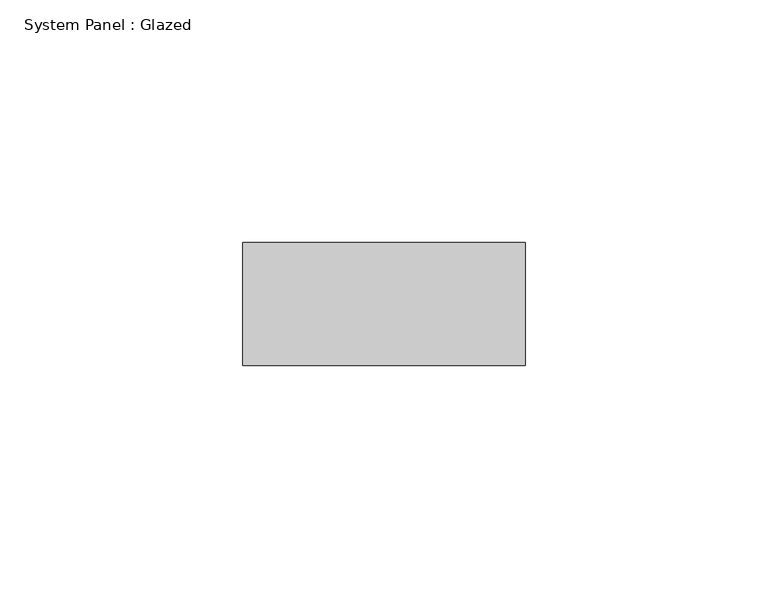
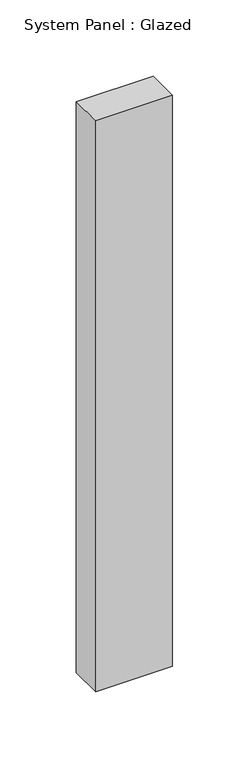
"""IFC4 building model written with IfcOpenShell, lengths in millimetres: plate geometry, System Panel : Glazed."""

import ifcopenshell
import ifcopenshell.guid

model = None  # the IFC model being written
_history = None  # IfcOwnerHistory: only IFC2X3 demands one
_inside = {}  # id of a spatial element -> (the spatial element, [elements in it])
_under = {}  # id of a project, library or spatial element -> (it, [spatial elements below it])
_declared = {}  # id of a project -> (the project, [libraries it declares])
_typed = {}  # id of a type object -> (the type object, [elements of that type])
_made_of = {}  # id of a material, layer set ... -> (it, [elements and type objects made of it])


def new_model(schema):
    """Start an empty IFC model of exactly this schema.

    Asked for "IFC4X3", IfcOpenShell would pick the latest addendum, in which some entities
    have other attributes; the version numbers below select the first issue.
    IFC2X3 requires an IfcOwnerHistory on every rooted entity: one is made here for all.
    """
    global model, _history
    if schema == "IFC4X3":
        model = ifcopenshell.file(schema_version=(4, 3, 0, 0))
    else:
        model = ifcopenshell.file(schema=schema)
    _inside.clear()
    _under.clear()
    _declared.clear()
    _typed.clear()
    _made_of.clear()
    _history = None
    if model.schema == "IFC2X3":
        org = make("IfcOrganization", Name="unknown")
        user = make(
            "IfcPersonAndOrganization",
            ThePerson=make("IfcPerson", FamilyName="unknown"),
            TheOrganization=org,
        )
        app = make(
            "IfcApplication",
            ApplicationDeveloper=org,
            Version="unknown",
            ApplicationFullName="unknown",
            ApplicationIdentifier="unknown",
        )
        _history = make(
            "IfcOwnerHistory",
            OwningUser=user,
            OwningApplication=app,
            ChangeAction="ADDED",
            CreationDate=0,
        )
    return model


def make(cls, **values):
    """One entity of the class cls with the attributes given. An attribute that is None is left unset."""
    return model.create_entity(
        cls, **{name: value for name, value in values.items() if value is not None}
    )


def rooted(cls, **values):
    """An entity with a GlobalId (a new one), such as an element, a storey or a relation."""
    return make(cls, GlobalId=ifcopenshell.guid.new(), OwnerHistory=_history, **values)


def si_unit(unit_type, name, prefix=None):
    """IfcSIUnit, for example si_unit("LENGTHUNIT", "METRE", prefix="MILLI")."""
    return make("IfcSIUnit", UnitType=unit_type, Prefix=prefix, Name=name)


def assignment(units):
    """IfcUnitAssignment: the units of a project."""
    return None if units is None else make("IfcUnitAssignment", Units=units)


def point(xyz):
    """IfcCartesianPoint."""
    return None if xyz is None else make("IfcCartesianPoint", Coordinates=xyz)


def direction(xyz):
    """IfcDirection."""
    return None if xyz is None else make("IfcDirection", DirectionRatios=xyz)


def frame(location, z_axis=None, x_axis=None):
    """IfcAxis2Placement3D, a coordinate frame: its origin and axes. An axis left out is left unset."""
    return make(
        "IfcAxis2Placement3D",
        Location=point(location),
        Axis=direction(z_axis),
        RefDirection=direction(x_axis),
    )


def origin():
    """The frame at (0, 0, 0) with its axes left unset."""
    return frame((0.0, 0.0, 0.0))


def origin_with_axes():
    """The frame at (0, 0, 0) with the z axis (0, 0, 1) and the x axis (1, 0, 0) written out."""
    return frame((0.0, 0.0, 0.0), z_axis=(0.0, 0.0, 1.0), x_axis=(1.0, 0.0, 0.0))


def place(relative_to, where):
    """IfcLocalPlacement: puts the frame where relative to a parent placement (None: the world)."""
    return make(
        "IfcLocalPlacement", PlacementRelTo=relative_to, RelativePlacement=where
    )


def context(
    kind, dimensions, precision=None, world=None, true_north=None, identifier=None
):
    """IfcGeometricRepresentationContext, for example the 3D "Model" context."""
    return make(
        "IfcGeometricRepresentationContext",
        ContextIdentifier=identifier,
        ContextType=kind,
        CoordinateSpaceDimension=dimensions,
        Precision=precision,
        WorldCoordinateSystem=world,
        TrueNorth=true_north,
    )


def project(units=None, contexts=None):
    """IfcProject with its units and contexts."""
    return rooted(
        "IfcProject",
        Name="project",
        RepresentationContexts=contexts,
        UnitsInContext=assignment(units),
    )


def spatial(cls, under=None, at=None, **own):
    """A site, building, storey or space (cls), placed at a placement, below another one or the project."""
    s = rooted(cls, ObjectPlacement=at, **own)
    if under is not None:
        _under.setdefault(under.id(), (under, []))[1].append(s)
    return s


def polyline(points):
    """IfcPolyline through the points."""
    return make("IfcPolyline", Points=[point(p) for p in points])


def outline(outer, holes=None, kind="AREA"):
    """IfcArbitraryClosedProfileDef: a profile drawn as a closed curve; with holes, ...WithVoids."""
    if holes is None:
        return make("IfcArbitraryClosedProfileDef", ProfileType=kind, OuterCurve=outer)
    return make(
        "IfcArbitraryProfileDefWithVoids",
        ProfileType=kind,
        OuterCurve=outer,
        InnerCurves=holes,
    )


def extrude(swept, where, along, depth):
    """IfcExtrudedAreaSolid: the profile swept, set in the frame where, extruded along a direction by depth."""
    return make(
        "IfcExtrudedAreaSolid",
        SweptArea=swept,
        Position=where,
        ExtrudedDirection=direction(along),
        Depth=depth,
    )


def shape(context_of_items, identifier, shape_type, items):
    """IfcShapeRepresentation: the items that make up one representation, for example the "Body"."""
    return make(
        "IfcShapeRepresentation",
        ContextOfItems=context_of_items,
        RepresentationIdentifier=identifier,
        RepresentationType=shape_type,
        Items=items,
    )


def source(mapping_origin, context_of_items, identifier, shape_type, items):
    """IfcRepresentationMap: a shape defined once, which mapped items show again and again."""
    return make(
        "IfcRepresentationMap",
        MappingOrigin=mapping_origin,
        MappedRepresentation=shape(context_of_items, identifier, shape_type, items),
    )


def transform(
    local_origin,
    x_axis=None,
    y_axis=None,
    z_axis=None,
    scale=None,
    scale2=None,
    scale3=None,
    uniform=True,
):
    """IfcCartesianTransformationOperator3D, or its non-uniform kind. x_axis, y_axis, z_axis: its Axis1, 2, 3."""
    if uniform:
        return make(
            "IfcCartesianTransformationOperator3D",
            Axis1=direction(x_axis),
            Axis2=direction(y_axis),
            LocalOrigin=point(local_origin),
            Scale=scale,
            Axis3=direction(z_axis),
        )
    return make(
        "IfcCartesianTransformationOperator3DnonUniform",
        Axis1=direction(x_axis),
        Axis2=direction(y_axis),
        LocalOrigin=point(local_origin),
        Scale=scale,
        Axis3=direction(z_axis),
        Scale2=scale2,
        Scale3=scale3,
    )


def mapped(mapping_source, mapping_target):
    """IfcMappedItem: shows the shape of a source again, moved by a transform."""
    return make(
        "IfcMappedItem", MappingSource=mapping_source, MappingTarget=mapping_target
    )


def made_of(thing, what):
    """Note that an element or type object is made of a material, layer set ...; save() writes the relation."""
    if what is not None:
        _made_of.setdefault(what.id(), (what, []))[1].append(thing)
    return thing


def element(
    cls,
    number,
    at=None,
    inside=None,
    cuts=None,
    type_object=None,
    material=None,
    context=None,
    identifier="Body",
    shape_type=None,
    held_by="IfcProductDefinitionShape",
    body=None,
    shapes=None,
    **own,
):
    """One element of the class cls, such as IfcWall. Its Tag is "e" and its number.

    at: its placement. inside: the storey or other place that contains it. cuts: it is an
    opening in that element (IfcRelVoidsElement). A single representation is given by context,
    identifier, shape_type and body (its items); several are given by shapes. held_by: the class
    of the entity that holds the representations. save() writes the other relations.
    """
    e = rooted(cls, Tag="e%d" % number, ObjectPlacement=at, **own)
    if body is not None:
        shapes = [shape(context, identifier, shape_type, body)]
    if shapes is not None:
        e.Representation = make(held_by, Representations=shapes)
    if inside is not None:
        _inside.setdefault(inside.id(), (inside, []))[1].append(e)
    if cuts is not None:
        rooted(
            "IfcRelVoidsElement", RelatingBuildingElement=cuts, RelatedOpeningElement=e
        )
    if type_object is not None:
        _typed.setdefault(type_object.id(), (type_object, []))[1].append(e)
    return made_of(e, material)


def aggregate(whole, parts):
    """IfcRelAggregates: a whole, such as a stair, and the parts it consists of."""
    return rooted("IfcRelAggregates", RelatingObject=whole, RelatedObjects=parts)


def save(model, path):
    """Write the relations noted so far, then the file.

    IfcRelAggregates (storeys below a building ...), IfcRelContainedInSpatialStructure (elements
    in a storey), IfcRelDefinesByType, IfcRelAssociatesMaterial and IfcRelDeclares: one each for
    every whole, place, type object, material and project.
    """
    for whole, parts in _under.values():
        aggregate(whole, parts)
    for where, things in _inside.values():
        rooted(
            "IfcRelContainedInSpatialStructure",
            RelatedElements=things,
            RelatingStructure=where,
        )
    for kind, things in _typed.values():
        rooted("IfcRelDefinesByType", RelatedObjects=things, RelatingType=kind)
    for what, things in _made_of.values():
        rooted("IfcRelAssociatesMaterial", RelatedObjects=things, RelatingMaterial=what)
    for by, libraries in _declared.values():
        rooted("IfcRelDeclares", RelatingContext=by, RelatedDefinitions=libraries)
    model.write(path)


def system_panel_glazed_eb048650(model_context):
    return source(origin(), model_context, "Body", "SweptSolid", [
        extrude(outline(polyline([(29.1136342, 19.05), (-29.1136342, 19.05), (-29.1136342, 44.45), (29.1136342, 44.45), (29.1136342, 19.05)])), origin_with_axes(), (0.0, 0.0, 1.0), 457.2),
    ])


if __name__ == "__main__":
    model = new_model("IFC4")
    model_context = context("Model", 3, world=origin())
    ifc_project = project(units=[si_unit("LENGTHUNIT", "METRE", prefix="MILLI")], contexts=[model_context])
    site = spatial("IfcSite", under=ifc_project)
    building = spatial("IfcBuilding", under=site)
    placement = place(None, origin())
    system_panel_glazed_shape = system_panel_glazed_eb048650(model_context)
    element("IfcPlate", 1, ObjectType="System Panel : Glazed", at=placement, inside=building, context=model_context, shape_type="MappedRepresentation", body=[
        mapped(system_panel_glazed_shape, transform((0.0, 0.0, 0.0), x_axis=(1.0, 0.0, 0.0), y_axis=(0.0, 1.0, 0.0), z_axis=(0.0, 0.0, 1.0))),
    ])
    save(model, "model.ifc")
